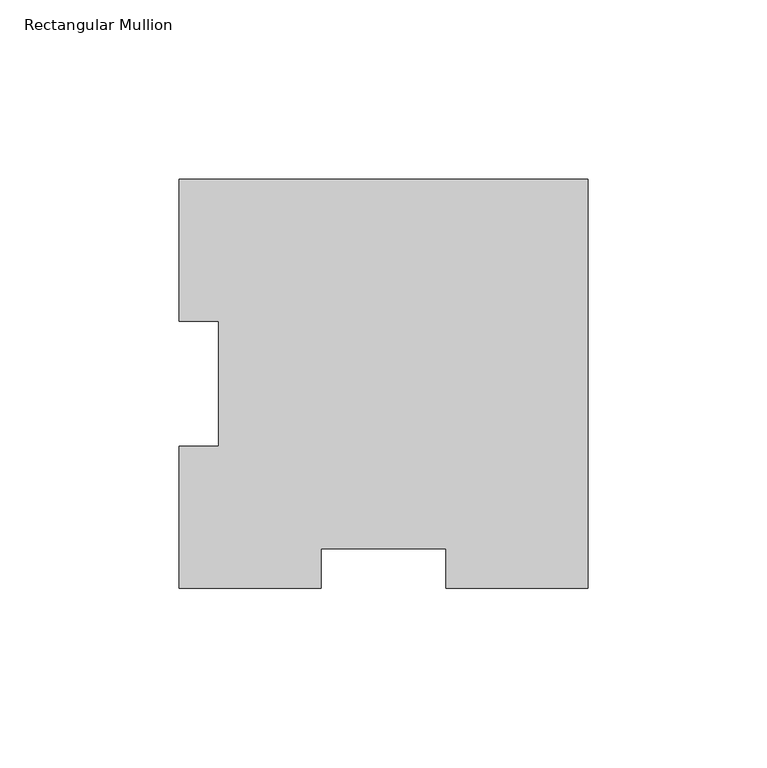
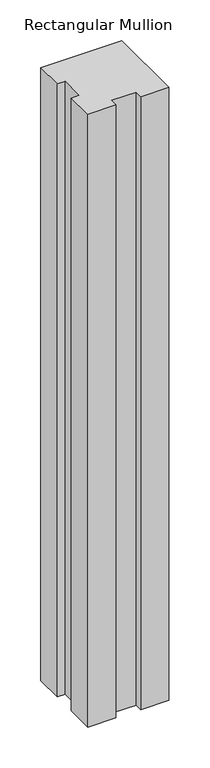
"""IFC4 building model written with IfcOpenShell, lengths in millimetres: member geometry, Rectangular Mullion."""

from ifc_helpers import new_model, si_unit, frame, origin, place, context, project, spatial, polyline, outline, extrude, source, transform, mapped, element, save


def rectangular_mullion_91ee87fd(model_context):
    return source(origin(), model_context, "Body", "SweptSolid", [
        extrude(outline(polyline([(-114.3, 114.271425), (0.0, 114.271425), (0.0, -0.028575), (-39.6748, -0.028575), (-39.6748, 11.083925), (-74.6252, 11.083925), (-74.6252, -0.028575), (-114.3, -0.028575), (-114.3, 39.646225), (-103.1875, 39.646225), (-103.1875, 74.596625), (-114.3, 74.596625), (-114.3, 114.271425)])), frame((0.0, 0.0, -914.4), z_axis=(0.0, 0.0, 1.0), x_axis=(1.0, 0.0, 0.0)), (0.0, 0.0, 1.0), 914.4),
    ])


if __name__ == "__main__":
    model = new_model("IFC4")
    model_context = context("Model", 3, world=origin())
    ifc_project = project(units=[si_unit("LENGTHUNIT", "METRE", prefix="MILLI")], contexts=[model_context])
    site = spatial("IfcSite", under=ifc_project)
    building = spatial("IfcBuilding", under=site)
    placement = place(None, origin())
    rectangular_mullion_shape = rectangular_mullion_91ee87fd(model_context)
    element("IfcMember", 1, ObjectType="Rectangular Mullion", at=placement, inside=building, context=model_context, shape_type="MappedRepresentation", body=[
        mapped(rectangular_mullion_shape, transform((0.0, 0.0, 0.0), x_axis=(1.0, 0.0, 0.0), y_axis=(0.0, 1.0, 0.0), z_axis=(0.0, 0.0, 1.0))),
    ])
    save(model, "model.ifc")
